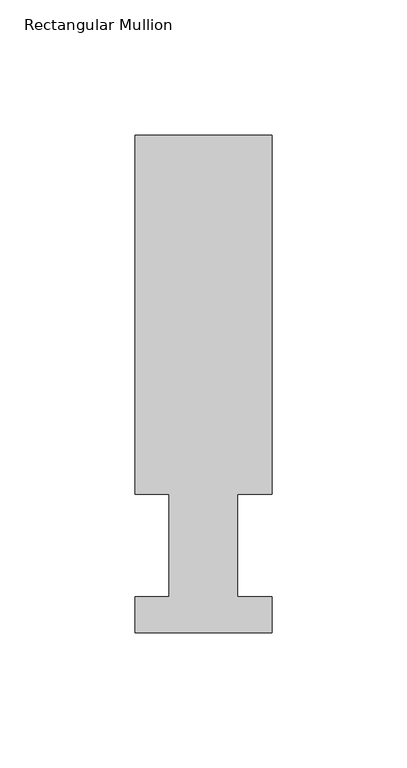
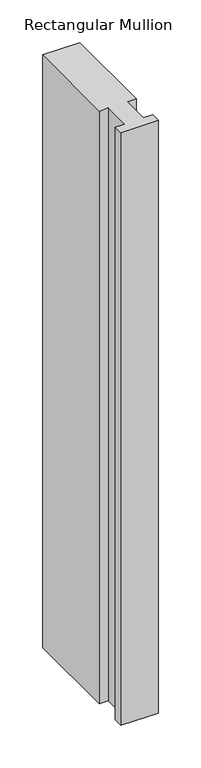
"""IFC4 building model written with IfcOpenShell, lengths in millimetres: member geometry, Rectangular Mullion."""

from ifc_helpers import new_model, si_unit, frame, origin, place, context, project, spatial, polyline, outline, extrude, source, transform, mapped, element, save


def rectangular_mullion_ca5ecf0d(model_context):
    return source(origin(), model_context, "Body", "SweptSolid", [
        extrude(outline(polyline([(25.4, 184.2396938), (25.4, 51.2960937), (12.7, 51.2960937), (12.7, 13.1955073), (25.4, 13.1955073), (25.4, 0.0134937), (-25.4, 0.0134937), (-25.4, 13.1960938), (-12.7, 13.1960938), (-12.7, 51.2960937), (-25.4, 51.2960937), (-25.4, 184.2396938), (25.4, 184.2396938)])), frame((0.0, 0.0, -850.9), z_axis=(0.0, 0.0, 1.0), x_axis=(1.0, 0.0, 0.0)), (0.0, 0.0, 1.0), 850.9),
    ])


if __name__ == "__main__":
    model = new_model("IFC4")
    model_context = context("Model", 3, world=origin())
    ifc_project = project(units=[si_unit("LENGTHUNIT", "METRE", prefix="MILLI")], contexts=[model_context])
    site = spatial("IfcSite", under=ifc_project)
    building = spatial("IfcBuilding", under=site)
    placement = place(None, origin())
    rectangular_mullion_shape = rectangular_mullion_ca5ecf0d(model_context)
    element("IfcMember", 1, ObjectType="Rectangular Mullion", at=placement, inside=building, context=model_context, shape_type="MappedRepresentation", body=[
        mapped(rectangular_mullion_shape, transform((0.0, 0.0, 0.0), x_axis=(1.0, 0.0, 0.0), y_axis=(0.0, 1.0, 0.0), z_axis=(0.0, 0.0, 1.0))),
    ])
    save(model, "model.ifc")
